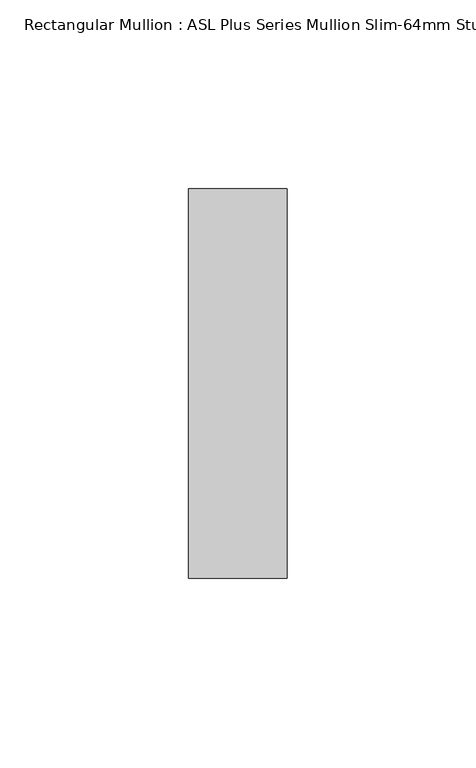
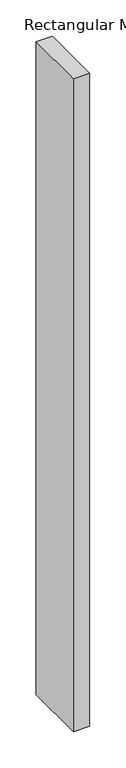
"""IFC4 building model written with IfcOpenShell, lengths in millimetres: member geometry, Rectangular Mullion : ASL Plus Series Mullion Slim-64mm Stud."""

from ifc_helpers import new_model, si_unit, frame, origin, place, context, project, spatial, polyline, outline, extrude, source, transform, mapped, element, save


def rectangular_mullion_asl_plus_series_mullion_slim_64mm_stud_90644e3a(model_context):
    return source(origin(), model_context, "Body", "SweptSolid", [
        extrude(outline(polyline([(13.0, 51.5), (13.0, -51.5), (-13.0, -51.5), (-13.0, 51.5), (13.0, 51.5)])), frame((0.0, 0.0, -1100.0), z_axis=(0.0, 0.0, 1.0), x_axis=(1.0, 0.0, 0.0)), (0.0, 0.0, 1.0), 1100.0),
    ])


if __name__ == "__main__":
    model = new_model("IFC4")
    model_context = context("Model", 3, world=origin())
    ifc_project = project(units=[si_unit("LENGTHUNIT", "METRE", prefix="MILLI")], contexts=[model_context])
    site = spatial("IfcSite", under=ifc_project)
    building = spatial("IfcBuilding", under=site)
    placement = place(None, origin())
    rectangular_mullion_asl_plus_series_mullion_slim_64mm_stud_shape = rectangular_mullion_asl_plus_series_mullion_slim_64mm_stud_90644e3a(model_context)
    element("IfcMember", 1, ObjectType="Rectangular Mullion : ASL Plus Series Mullion Slim-64mm Stud", at=placement, inside=building, context=model_context, shape_type="MappedRepresentation", body=[
        mapped(rectangular_mullion_asl_plus_series_mullion_slim_64mm_stud_shape, transform((0.0, 0.0, 0.0), x_axis=(1.0, 0.0, 0.0), y_axis=(0.0, 1.0, 0.0), z_axis=(0.0, 0.0, 1.0))),
    ])
    save(model, "model.ifc")
